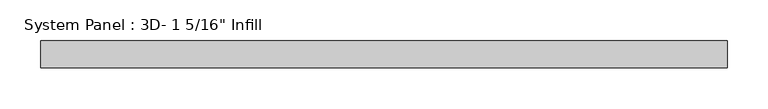
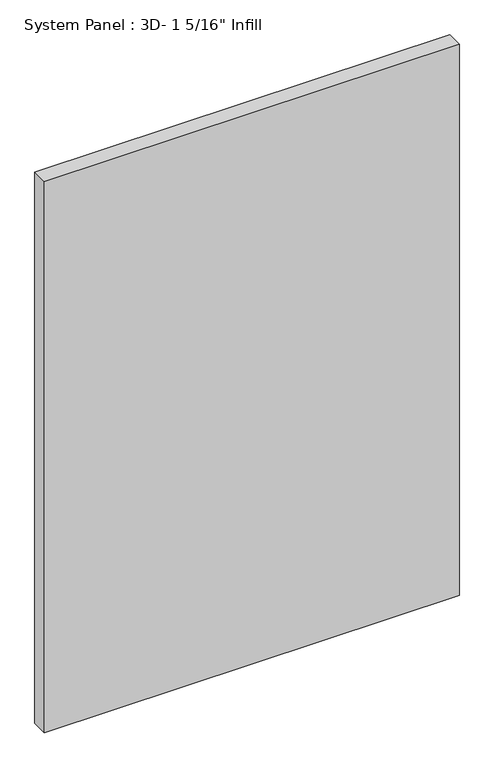
"""IFC4 building model written with IfcOpenShell, lengths in millimetres: plate geometry."""

from ifc_helpers import new_model, si_unit, origin, origin_with_axes, place, context, project, spatial, polyline, outline, extrude, source, transform, mapped, element, save


def plate_1fcbc2ee(model_context):
    return source(origin(), model_context, "Body", "SweptSolid", [
        extrude(outline(polyline([(420.6875, -16.66875), (-420.6875, -16.66875), (-420.6875, 16.66875), (420.6875, 16.66875), (420.6875, -16.66875)])), origin_with_axes(), (0.0, 0.0, 1.0), 1181.1),
    ])


if __name__ == "__main__":
    model = new_model("IFC4")
    model_context = context("Model", 3, world=origin())
    ifc_project = project(units=[si_unit("LENGTHUNIT", "METRE", prefix="MILLI")], contexts=[model_context])
    site = spatial("IfcSite", under=ifc_project)
    building = spatial("IfcBuilding", under=site)
    placement = place(None, origin())
    plate_shape = plate_1fcbc2ee(model_context)
    element("IfcPlate", 1, ObjectType="System Panel : 3D- 1 5/16\" Infill", at=placement, inside=building, context=model_context, shape_type="MappedRepresentation", body=[
        mapped(plate_shape, transform((0.0, 0.0, 0.0), x_axis=(1.0, 0.0, 0.0), y_axis=(0.0, 1.0, 0.0), z_axis=(0.0, 0.0, 1.0))),
    ])
    save(model, "model.ifc")
